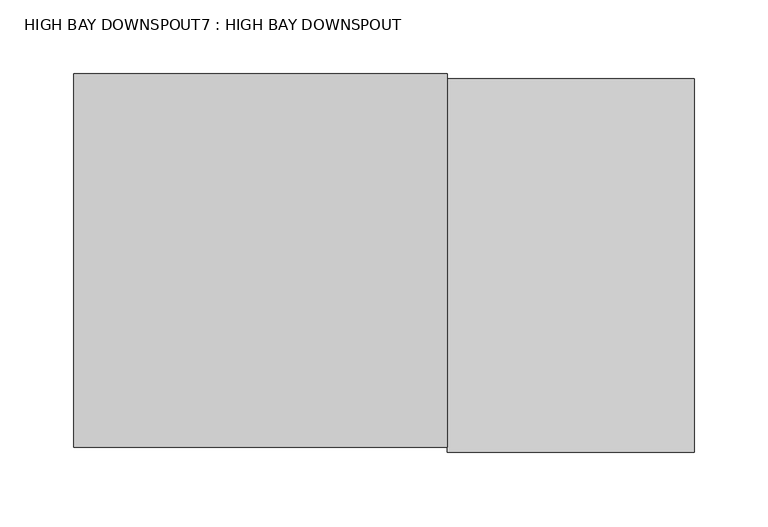
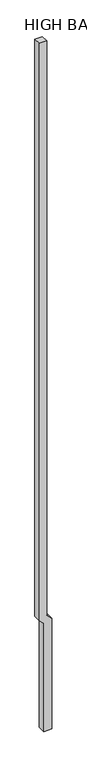
"""IFC4 building model written with IfcOpenShell, lengths in millimetres: proxy geometry, HIGH BAY DOWNSPOUT7 : HIGH BAY DOWNSPOUT."""

from ifc_helpers import new_model, si_unit, frame, origin, place, context, project, spatial, polyline, outline, extrude, source, transform, mapped, element, save


def high_bay_downspout7_high_bay_downspout_ee9b83d8(model_context):
    return source(origin(), model_context, "Body", "SweptSolid", [
        extrude(outline(polyline([(3810.0, 448356.4273809), (3657.6, 448508.8273809), (-203.2, 448508.8273809), (-203.2, 448778.7023809), (3746.9352448, 448778.7023809), (3915.2102448, 448610.4273809), (24408.9887487, 448610.4273809), (24408.9887487, 448356.4273809), (3810.0, 448356.4273809)])), frame((0.0, -9885.2867692, 0.0), z_axis=(0.0, 1.0, 0.0), x_axis=(0.0, 0.0, 1.0)), (0.0, 0.0, 1.0), 254.0),
    ])


if __name__ == "__main__":
    model = new_model("IFC4")
    model_context = context("Model", 3, world=origin())
    ifc_project = project(units=[si_unit("LENGTHUNIT", "METRE", prefix="MILLI")], contexts=[model_context])
    site = spatial("IfcSite", under=ifc_project)
    building = spatial("IfcBuilding", under=site)
    placement = place(None, origin())
    high_bay_downspout7_high_bay_downspout_shape = high_bay_downspout7_high_bay_downspout_ee9b83d8(model_context)
    element("IfcBuildingElementProxy", 1, Name="HIGH BAY DOWNSPOUT7 : HIGH BAY DOWNSPOUT", ObjectType="HIGH BAY DOWNSPOUT7 : HIGH BAY DOWNSPOUT", at=placement, inside=building, context=model_context, shape_type="MappedRepresentation", body=[
        mapped(high_bay_downspout7_high_bay_downspout_shape, transform((0.0, 0.0, 0.0), x_axis=(1.0, 0.0, 0.0), y_axis=(0.0, 1.0, 0.0), z_axis=(0.0, 0.0, 1.0))),
    ])
    save(model, "model.ifc")
